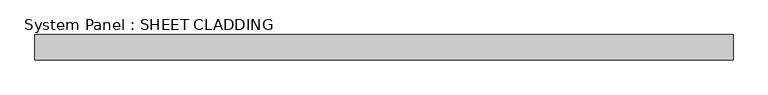
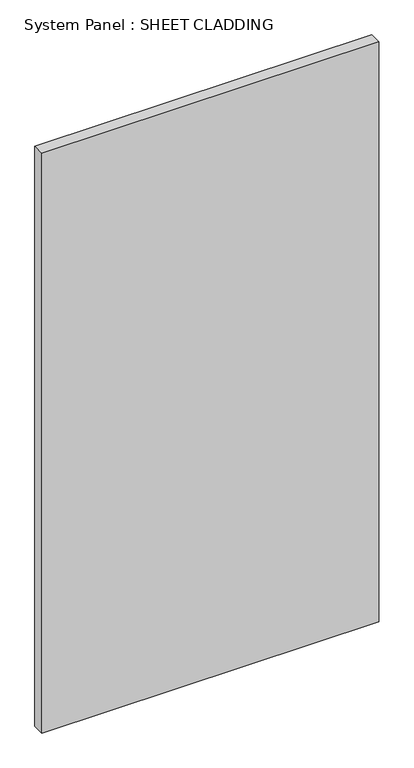
"""IFC4 building model written with IfcOpenShell, lengths in millimetres: plate geometry, System Panel : SHEET CLADDING."""

from ifc_helpers import new_model, si_unit, origin, origin_with_axes, place, context, project, spatial, polyline, outline, extrude, source, transform, mapped, element, save


def system_panel_sheet_cladding_1765ef23(model_context):
    return source(origin(), model_context, "Body", "SweptSolid", [
        extrude(outline(polyline([(833.3333333, -49.5), (-833.3333333, -49.5), (-833.3333333, 10.5), (833.3333333, 10.5), (833.3333333, -49.5)])), origin_with_axes(), (0.0, 0.0, 1.0), 3031.35),
    ])


if __name__ == "__main__":
    model = new_model("IFC4")
    model_context = context("Model", 3, world=origin())
    ifc_project = project(units=[si_unit("LENGTHUNIT", "METRE", prefix="MILLI")], contexts=[model_context])
    site = spatial("IfcSite", under=ifc_project)
    building = spatial("IfcBuilding", under=site)
    placement = place(None, origin())
    system_panel_sheet_cladding_shape = system_panel_sheet_cladding_1765ef23(model_context)
    element("IfcPlate", 1, ObjectType="System Panel : SHEET CLADDING", at=placement, inside=building, context=model_context, shape_type="MappedRepresentation", body=[
        mapped(system_panel_sheet_cladding_shape, transform((0.0, 0.0, 0.0), x_axis=(1.0, 0.0, 0.0), y_axis=(0.0, 1.0, 0.0), z_axis=(0.0, 0.0, 1.0))),
    ])
    save(model, "model.ifc")
